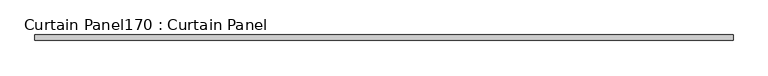
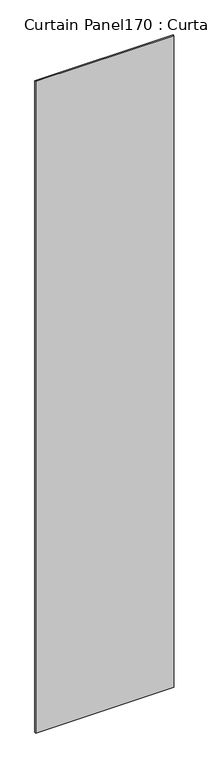
"""IFC4 building model written with IfcOpenShell, lengths in millimetres: plate geometry, Curtain Panel170 : Curtain Panel."""

from ifc_helpers import new_model, si_unit, frame, origin, place, context, project, spatial, polyline, outline, extrude, source, transform, mapped, element, save


def curtain_panel170_curtain_panel_44020b69(model_context):
    return source(origin(), model_context, "Body", "SweptSolid", [
        extrude(outline(polyline([(474203.6435507, 2273.6339321), (471016.3898115, 2273.6339321), (471016.3898115, 2299.0339321), (474203.6435507, 2299.0339321), (474203.6435507, 2273.6339321)])), frame((0.0, 0.0, 4959.7989371), z_axis=(0.0, 0.0, 1.0), x_axis=(1.0, 0.0, 0.0)), (0.0, 0.0, 1.0), 15896.9411728),
    ])


if __name__ == "__main__":
    model = new_model("IFC4")
    model_context = context("Model", 3, world=origin())
    ifc_project = project(units=[si_unit("LENGTHUNIT", "METRE", prefix="MILLI")], contexts=[model_context])
    site = spatial("IfcSite", under=ifc_project)
    building = spatial("IfcBuilding", under=site)
    placement = place(None, origin())
    curtain_panel170_curtain_panel_shape = curtain_panel170_curtain_panel_44020b69(model_context)
    element("IfcPlate", 1, ObjectType="Curtain Panel170 : Curtain Panel", at=placement, inside=building, context=model_context, shape_type="MappedRepresentation", body=[
        mapped(curtain_panel170_curtain_panel_shape, transform((0.0, 0.0, 0.0), x_axis=(1.0, 0.0, 0.0), y_axis=(0.0, 1.0, 0.0), z_axis=(0.0, 0.0, 1.0))),
    ])
    save(model, "model.ifc")
